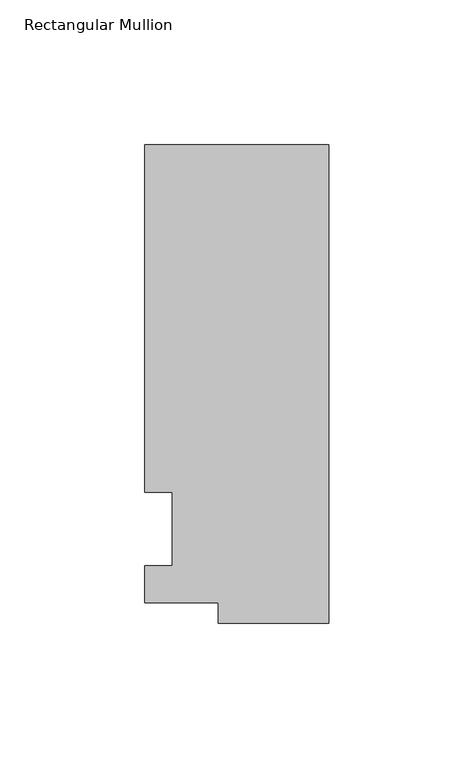
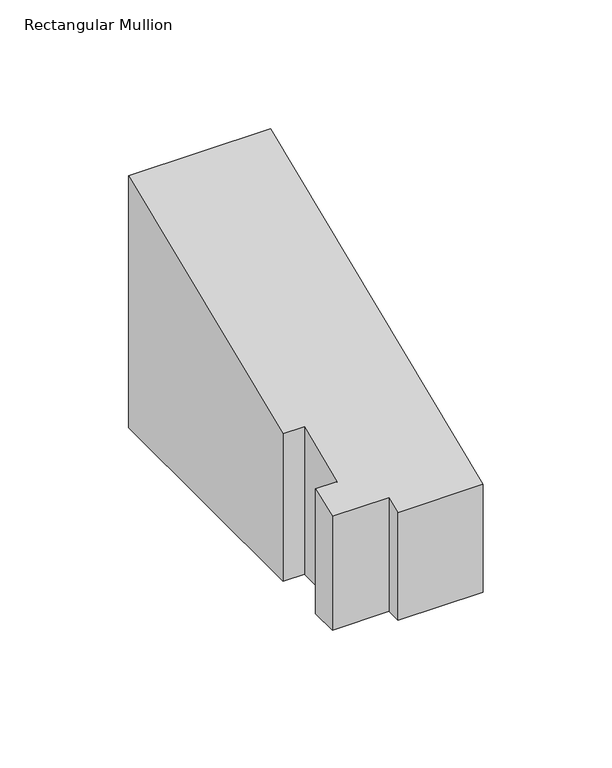
"""IFC4 building model written with IfcOpenShell, lengths in millimetres: member geometry, Rectangular Mullion."""

import ifcopenshell
import ifcopenshell.guid

model = None  # the IFC model being written
_history = None  # IfcOwnerHistory: only IFC2X3 demands one
_inside = {}  # id of a spatial element -> (the spatial element, [elements in it])
_under = {}  # id of a project, library or spatial element -> (it, [spatial elements below it])
_declared = {}  # id of a project -> (the project, [libraries it declares])
_typed = {}  # id of a type object -> (the type object, [elements of that type])
_made_of = {}  # id of a material, layer set ... -> (it, [elements and type objects made of it])


def new_model(schema):
    """Start an empty IFC model of exactly this schema.

    Asked for "IFC4X3", IfcOpenShell would pick the latest addendum, in which some entities
    have other attributes; the version numbers below select the first issue.
    IFC2X3 requires an IfcOwnerHistory on every rooted entity: one is made here for all.
    """
    global model, _history
    if schema == "IFC4X3":
        model = ifcopenshell.file(schema_version=(4, 3, 0, 0))
    else:
        model = ifcopenshell.file(schema=schema)
    _inside.clear()
    _under.clear()
    _declared.clear()
    _typed.clear()
    _made_of.clear()
    _history = None
    if model.schema == "IFC2X3":
        org = make("IfcOrganization", Name="unknown")
        user = make(
            "IfcPersonAndOrganization",
            ThePerson=make("IfcPerson", FamilyName="unknown"),
            TheOrganization=org,
        )
        app = make(
            "IfcApplication",
            ApplicationDeveloper=org,
            Version="unknown",
            ApplicationFullName="unknown",
            ApplicationIdentifier="unknown",
        )
        _history = make(
            "IfcOwnerHistory",
            OwningUser=user,
            OwningApplication=app,
            ChangeAction="ADDED",
            CreationDate=0,
        )
    return model


def make(cls, **values):
    """One entity of the class cls with the attributes given. An attribute that is None is left unset."""
    return model.create_entity(
        cls, **{name: value for name, value in values.items() if value is not None}
    )


def rooted(cls, **values):
    """An entity with a GlobalId (a new one), such as an element, a storey or a relation."""
    return make(cls, GlobalId=ifcopenshell.guid.new(), OwnerHistory=_history, **values)


def si_unit(unit_type, name, prefix=None):
    """IfcSIUnit, for example si_unit("LENGTHUNIT", "METRE", prefix="MILLI")."""
    return make("IfcSIUnit", UnitType=unit_type, Prefix=prefix, Name=name)


def assignment(units):
    """IfcUnitAssignment: the units of a project."""
    return None if units is None else make("IfcUnitAssignment", Units=units)


def point(xyz):
    """IfcCartesianPoint."""
    return None if xyz is None else make("IfcCartesianPoint", Coordinates=xyz)


def direction(xyz):
    """IfcDirection."""
    return None if xyz is None else make("IfcDirection", DirectionRatios=xyz)


def frame(location, z_axis=None, x_axis=None):
    """IfcAxis2Placement3D, a coordinate frame: its origin and axes. An axis left out is left unset."""
    return make(
        "IfcAxis2Placement3D",
        Location=point(location),
        Axis=direction(z_axis),
        RefDirection=direction(x_axis),
    )


def origin():
    """The frame at (0, 0, 0) with its axes left unset."""
    return frame((0.0, 0.0, 0.0))


def place(relative_to, where):
    """IfcLocalPlacement: puts the frame where relative to a parent placement (None: the world)."""
    return make(
        "IfcLocalPlacement", PlacementRelTo=relative_to, RelativePlacement=where
    )


def context(
    kind, dimensions, precision=None, world=None, true_north=None, identifier=None
):
    """IfcGeometricRepresentationContext, for example the 3D "Model" context."""
    return make(
        "IfcGeometricRepresentationContext",
        ContextIdentifier=identifier,
        ContextType=kind,
        CoordinateSpaceDimension=dimensions,
        Precision=precision,
        WorldCoordinateSystem=world,
        TrueNorth=true_north,
    )


def project(units=None, contexts=None):
    """IfcProject with its units and contexts."""
    return rooted(
        "IfcProject",
        Name="project",
        RepresentationContexts=contexts,
        UnitsInContext=assignment(units),
    )


def spatial(cls, under=None, at=None, **own):
    """A site, building, storey or space (cls), placed at a placement, below another one or the project."""
    s = rooted(cls, ObjectPlacement=at, **own)
    if under is not None:
        _under.setdefault(under.id(), (under, []))[1].append(s)
    return s


def faces_of(points, faces, orient=None, outer=None):
    """IfcFace entities. A face is a list of loops; a loop is a list of indices into points, from 0.

    orient and outer hold one flag for each loop. By default every Orientation is true, the
    first loop of a face is its IfcFaceOuterBound and the others are IfcFaceBound.
    """
    made = []
    for i, loops in enumerate(faces):
        bounds = []
        for j, loop in enumerate(loops):
            is_outer = j == 0 if outer is None else outer[i][j]
            bounds.append(
                make(
                    "IfcFaceOuterBound" if is_outer else "IfcFaceBound",
                    Bound=make("IfcPolyLoop", Polygon=[points[k] for k in loop]),
                    Orientation=True if orient is None else orient[i][j],
                )
            )
        made.append(make("IfcFace", Bounds=bounds))
    return made


def faceted_brep(points, faces, orient=None, outer=None, voids=None):
    """IfcFacetedBrep: a solid bounded by flat faces; with voids (closed shells), ...WithVoids."""
    shared = [point(p) for p in points]
    hull = make("IfcClosedShell", CfsFaces=faces_of(shared, faces, orient, outer))
    if voids is None:
        return make("IfcFacetedBrep", Outer=hull)
    return make(
        "IfcFacetedBrepWithVoids",
        Outer=hull,
        Voids=[
            make(cls, CfsFaces=faces_of(shared, fs, o, b)) for cls, fs, o, b in voids
        ],
    )


def shape(context_of_items, identifier, shape_type, items):
    """IfcShapeRepresentation: the items that make up one representation, for example the "Body"."""
    return make(
        "IfcShapeRepresentation",
        ContextOfItems=context_of_items,
        RepresentationIdentifier=identifier,
        RepresentationType=shape_type,
        Items=items,
    )


def source(mapping_origin, context_of_items, identifier, shape_type, items):
    """IfcRepresentationMap: a shape defined once, which mapped items show again and again."""
    return make(
        "IfcRepresentationMap",
        MappingOrigin=mapping_origin,
        MappedRepresentation=shape(context_of_items, identifier, shape_type, items),
    )


def transform(
    local_origin,
    x_axis=None,
    y_axis=None,
    z_axis=None,
    scale=None,
    scale2=None,
    scale3=None,
    uniform=True,
):
    """IfcCartesianTransformationOperator3D, or its non-uniform kind. x_axis, y_axis, z_axis: its Axis1, 2, 3."""
    if uniform:
        return make(
            "IfcCartesianTransformationOperator3D",
            Axis1=direction(x_axis),
            Axis2=direction(y_axis),
            LocalOrigin=point(local_origin),
            Scale=scale,
            Axis3=direction(z_axis),
        )
    return make(
        "IfcCartesianTransformationOperator3DnonUniform",
        Axis1=direction(x_axis),
        Axis2=direction(y_axis),
        LocalOrigin=point(local_origin),
        Scale=scale,
        Axis3=direction(z_axis),
        Scale2=scale2,
        Scale3=scale3,
    )


def mapped(mapping_source, mapping_target):
    """IfcMappedItem: shows the shape of a source again, moved by a transform."""
    return make(
        "IfcMappedItem", MappingSource=mapping_source, MappingTarget=mapping_target
    )


def made_of(thing, what):
    """Note that an element or type object is made of a material, layer set ...; save() writes the relation."""
    if what is not None:
        _made_of.setdefault(what.id(), (what, []))[1].append(thing)
    return thing


def element(
    cls,
    number,
    at=None,
    inside=None,
    cuts=None,
    type_object=None,
    material=None,
    context=None,
    identifier="Body",
    shape_type=None,
    held_by="IfcProductDefinitionShape",
    body=None,
    shapes=None,
    **own,
):
    """One element of the class cls, such as IfcWall. Its Tag is "e" and its number.

    at: its placement. inside: the storey or other place that contains it. cuts: it is an
    opening in that element (IfcRelVoidsElement). A single representation is given by context,
    identifier, shape_type and body (its items); several are given by shapes. held_by: the class
    of the entity that holds the representations. save() writes the other relations.
    """
    e = rooted(cls, Tag="e%d" % number, ObjectPlacement=at, **own)
    if body is not None:
        shapes = [shape(context, identifier, shape_type, body)]
    if shapes is not None:
        e.Representation = make(held_by, Representations=shapes)
    if inside is not None:
        _inside.setdefault(inside.id(), (inside, []))[1].append(e)
    if cuts is not None:
        rooted(
            "IfcRelVoidsElement", RelatingBuildingElement=cuts, RelatedOpeningElement=e
        )
    if type_object is not None:
        _typed.setdefault(type_object.id(), (type_object, []))[1].append(e)
    return made_of(e, material)


def aggregate(whole, parts):
    """IfcRelAggregates: a whole, such as a stair, and the parts it consists of."""
    return rooted("IfcRelAggregates", RelatingObject=whole, RelatedObjects=parts)


def save(model, path):
    """Write the relations noted so far, then the file.

    IfcRelAggregates (storeys below a building ...), IfcRelContainedInSpatialStructure (elements
    in a storey), IfcRelDefinesByType, IfcRelAssociatesMaterial and IfcRelDeclares: one each for
    every whole, place, type object, material and project.
    """
    for whole, parts in _under.values():
        aggregate(whole, parts)
    for where, things in _inside.values():
        rooted(
            "IfcRelContainedInSpatialStructure",
            RelatedElements=things,
            RelatingStructure=where,
        )
    for kind, things in _typed.values():
        rooted("IfcRelDefinesByType", RelatedObjects=things, RelatingType=kind)
    for what, things in _made_of.values():
        rooted("IfcRelAssociatesMaterial", RelatedObjects=things, RelatingMaterial=what)
    for by, libraries in _declared.values():
        rooted("IfcRelDeclares", RelatingContext=by, RelatedDefinitions=libraries)
    model.write(path)


def rectangular_mullion_e5648051(model_context):
    return source(origin(), model_context, "Body", "Brep", [
        faceted_brep([(-38.1, -32.54375, -64.526234), (-38.1, -25.58415, -64.526234), (-63.5, -25.58415, -64.526234), (-63.5, -12.7, -64.526234), (-53.975, -12.7, -64.526234), (-53.975, 12.7, -64.526234), (-63.5, 12.7, -64.526234), (-63.5, 132.55625, -64.526234), (0.0, 132.55625, -64.526234), (0.0, -32.54375, -64.526234), (0.0, -32.54375, -13.4800626), (-38.1, -32.54375, -13.4800626), (0.0, 132.55625, 54.9065965), (-63.5, 132.55625, 54.9065965), (-63.5, 12.7, 5.2605122), (-53.975, 12.7, 5.2605122), (-53.975, -12.7, -5.2605122), (-63.5, -12.7, -5.2605122), (-63.5, -25.58415, -10.5973019), (-38.1, -25.58415, -10.5973019)], [[[0, 1, 2, 3, 4, 5, 6, 7, 8, 9]], [[10, 11, 0, 9]], [[12, 10, 9, 8]], [[13, 12, 8, 7]], [[14, 13, 7, 6]], [[15, 14, 6, 5]], [[16, 15, 5, 4]], [[17, 16, 4, 3]], [[18, 17, 3, 2]], [[19, 18, 2, 1]], [[11, 19, 1, 0]], [[11, 10, 12, 13, 14, 15, 16, 17, 18, 19]]]),
    ])


if __name__ == "__main__":
    model = new_model("IFC4")
    model_context = context("Model", 3, world=origin())
    ifc_project = project(units=[si_unit("LENGTHUNIT", "METRE", prefix="MILLI")], contexts=[model_context])
    site = spatial("IfcSite", under=ifc_project)
    building = spatial("IfcBuilding", under=site)
    placement = place(None, origin())
    rectangular_mullion_shape = rectangular_mullion_e5648051(model_context)
    element("IfcMember", 1, ObjectType="Rectangular Mullion", at=placement, inside=building, context=model_context, shape_type="MappedRepresentation", body=[
        mapped(rectangular_mullion_shape, transform((0.0, 0.0, 0.0), x_axis=(1.0, 0.0, 0.0), y_axis=(0.0, 1.0, 0.0), z_axis=(0.0, 0.0, 1.0))),
    ])
    save(model, "model.ifc")
